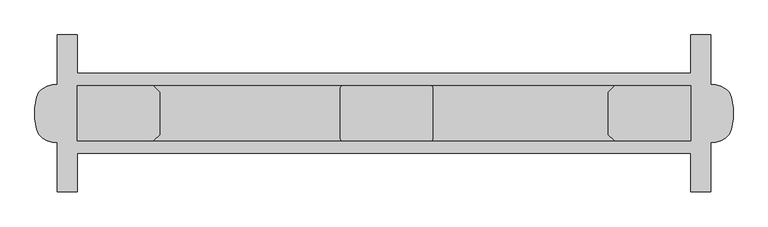
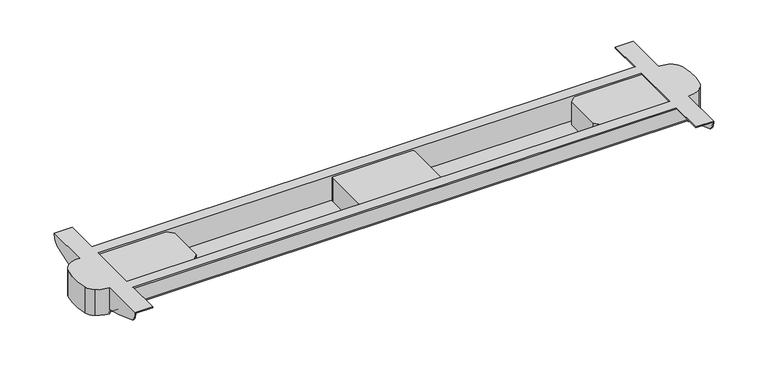
"""IFC4 building model written with IfcOpenShell, lengths in millimetres: furniture geometry."""

from ifc_helpers import new_model, si_unit, point, frame, frame_2d, origin, place, context, project, spatial, polyline, circle_curve, trimmed, segment, composite_curve, outline, extrude, source, transform, mapped, element, save
from ifc_brep_helpers import plane_surface, cylinder_surface, advanced_brep


def furniture_cdd899f4(model_context):
    return source(origin(), model_context, "Body", "SolidModel", [
        advanced_brep(
        [(85.0, -430.0, 637.0), (58.2763436, -421.7002018, 637.0), (46.6942682, -404.9980486, 637.0), (46.6942682, -345.0019514, 637.0), (58.2763436, -328.2997982, 637.0), (85.0, -320.0, 637.0), (85.0, -326.0, 637.0), (1315.0, -326.0, 637.0), (1315.0, -320.0, 637.0), (1341.7236564, -328.2997982, 637.0), (1353.3057318, -345.0019514, 637.0), (1353.3057318, -404.9980486, 637.0), (1341.7236564, -421.7002018, 637.0), (1315.0, -430.0, 637.0), (1315.0, -424.0, 637.0), (85.0, -424.0, 637.0), (85.0, -320.0, 643.0), (85.0, -430.0, 643.0), (85.0, -323.0, 647.0), (85.0, -427.0, 647.0), (85.0, -427.0, 640.0), (85.0, -323.0, 640.0), (58.2763436, -328.2997982, 695.0), (85.0, -320.0, 695.0), (85.0, -320.0, 692.0), (85.0, -320.0, 647.0), (46.6942682, -345.0019514, 695.0), (46.6942682, -404.9980486, 695.0), (58.2763436, -421.7002018, 695.0), (85.0, -430.0, 695.0), (84.9091785, -430.0, 647.0), (85.0, -430.0, 692.0), (1341.7236564, -421.7002018, 695.0), (1315.0, -430.0, 695.0), (1315.0, -430.0, 692.0), (1315.0, -430.0, 647.0), (1315.0000004, -430.0, 643.0), (1353.3057318, -404.9980486, 695.0), (1353.3057318, -345.0019514, 695.0), (1341.7236564, -328.2997982, 695.0), (1315.0, -320.0, 695.0), (1315.0, -320.0, 643.0), (1315.0908215, -320.0, 647.0), (1315.0, -320.0, 692.0), (1315.0, -427.0, 647.0), (1315.0, -323.0, 647.0), (1315.0, -323.0, 640.0), (1315.0, -427.0, 640.0), (123.0, -299.5, 695.0), (1277.0, -299.5, 695.0), (1277.0, -299.5, 693.0), (1313.0, -299.5, 693.0), (1313.0, -299.5, 692.0), (87.0, -299.5, 692.0), (87.0, -299.5, 693.0), (123.0, -299.5, 693.0), (1313.0, -323.0, 647.0), (1313.0, -323.0, 693.0), (1277.0, -323.0, 693.0), (1277.0, -323.0, 695.0), (123.0, -323.0, 695.0), (123.0, -323.0, 693.0), (87.0, -323.0, 693.0), (87.0, -323.0, 647.0), (87.0, -427.0, 647.0), (87.0, -427.0, 693.0), (123.0, -427.0, 693.0), (123.0, -427.0, 695.0), (1277.0, -427.0, 695.0), (1277.0, -427.0, 693.0), (1313.0, -427.0, 693.0), (1313.0, -427.0, 647.0), (1277.0, -450.5, 695.0), (123.0, -450.5, 695.0), (123.0, -450.5, 693.0), (87.0, -450.5, 693.0), (87.0, -450.5, 692.0), (1313.0, -450.5, 692.0), (1313.0, -450.5, 693.0), (1277.0, -450.5, 693.0), (87.0, -430.0, 692.0), (1313.0, -430.0, 692.0), (1313.0, -430.0, 647.0), (87.0, -430.0, 647.0), (87.0, -320.0, 647.0), (87.0, -320.0, 692.0), (1313.0, -320.0, 692.0), (1313.0, -320.0, 647.0), (87.0, -522.5, 693.0), (123.0, -522.5, 693.0), (123.0, -522.5, 695.0), (85.0, -522.5, 695.0), (85.0, -522.5, 690.0), (87.0, -522.5, 690.0), (1315.0, -522.5, 695.0), (1277.0, -522.5, 695.0), (1277.0, -522.5, 693.0), (1313.0, -522.5, 693.0), (1313.0, -522.5, 690.0), (1315.0, -522.5, 690.0), (85.0, -227.5, 695.0), (123.0, -227.5, 695.0), (123.0, -227.5, 693.0), (87.0, -227.5, 693.0), (87.0, -227.5, 690.0), (85.0, -227.5, 690.0), (1313.0, -227.5, 693.0), (1277.0, -227.5, 693.0), (1277.0, -227.5, 695.0), (1315.0, -227.5, 695.0), (1315.0, -227.5, 690.0), (1313.0, -227.5, 690.0), (85.0, -432.2931901, 647.0), (85.0, -461.9736338, 654.4919759), (85.0, -511.3994142, 672.1446048), (85.0, -238.6005858, 672.1446048), (85.0, -288.0263662, 654.4919759), (85.0, -317.7068099, 647.0), (87.0, -317.7068099, 647.0), (87.0, -432.2931901, 647.0), (87.0, -511.3994142, 672.1446048), (87.0, -461.9736338, 654.4919759), (87.0, -288.0263662, 654.4919759), (87.0, -238.6005858, 672.1446048), (1313.0, -432.2931901, 647.0), (1313.0, -461.9736338, 654.4919759), (1313.0, -511.3994142, 672.1446048), (1313.0, -238.6005858, 672.1446048), (1313.0, -288.0263662, 654.4919759), (1313.0, -317.7068099, 647.0), (1315.0, -317.7068099, 647.0), (1315.0, -432.2931901, 647.0), (1315.0, -288.0263662, 654.4919759), (1315.0, -238.6005858, 672.1446048), (1315.0, -511.3994142, 672.1446048), (1315.0, -461.9736338, 654.4919759)],
        [
            (0, 1, circle_curve(frame((84.9545892, -382.9739542, 637.0), z_axis=(0.0, 0.0, -1.0), x_axis=(1.0, 0.0, 0.0)), 47.0260677)),
            (1, 2, circle_curve(frame((74.5881069, -398.0219812, 637.0), z_axis=(0.0, 0.0, -1.0), x_axis=(1.0, 0.0, 0.0)), 28.7529434)),
            (2, 3, circle_curve(frame((166.6416094, -375.0, 637.0), z_axis=(0.0, 0.0, -1.0), x_axis=(1.0, 0.0, 0.0)), 123.6416094)),
            (3, 4, circle_curve(frame((74.5881069, -351.9780188, 637.0), z_axis=(0.0, 0.0, -1.0), x_axis=(1.0, 0.0, 0.0)), 28.7529434)),
            (4, 5, circle_curve(frame((84.9545892, -367.0260458, 637.0), z_axis=(0.0, 0.0, -1.0), x_axis=(1.0, 0.0, 0.0)), 47.0260677)),
            (5, 6),
            (6, 7),
            (7, 8),
            (8, 9, circle_curve(frame((1315.0454108, -367.0260458, 637.0), z_axis=(0.0, 0.0, -1.0), x_axis=(1.0, 0.0, 0.0)), 47.0260677)),
            (9, 10, circle_curve(frame((1325.4118931, -351.9780188, 637.0), z_axis=(0.0, 0.0, -1.0), x_axis=(1.0, 0.0, 0.0)), 28.7529434)),
            (10, 11, circle_curve(frame((1233.3583906, -375.0, 637.0), z_axis=(0.0, 0.0, -1.0), x_axis=(1.0, 0.0, 0.0)), 123.6416094)),
            (11, 12, circle_curve(frame((1325.4118931, -398.0219812, 637.0), z_axis=(0.0, 0.0, -1.0), x_axis=(1.0, 0.0, 0.0)), 28.7529434)),
            (12, 13, circle_curve(frame((1315.0454108, -382.9739542, 637.0), z_axis=(0.0, 0.0, -1.0), x_axis=(1.0, 0.0, 0.0)), 47.0260677)),
            (13, 14),
            (14, 15),
            (15, 0),
            (5, 16),
            (16, 6, circle_curve(frame((85.0, -326.0, 643.0), z_axis=(-1.0, 0.0, 0.0), x_axis=(0.0, 1.0, 0.0)), 6.0)),
            (15, 17, circle_curve(frame((85.0, -424.0, 643.0), z_axis=(-1.0, 0.0, 0.0), x_axis=(0.0, 1.0, 0.0)), 6.0)),
            (17, 0),
            (18, 19),
            (19, 20),
            (20, 21),
            (21, 18),
            (22, 23, circle_curve(frame((84.9545892, -367.0260458, 695.0), z_axis=(0.0, 0.0, -1.0), x_axis=(1.0, 0.0, 0.0)), 47.0260677)),
            (23, 24),
            (24, 25),
            (25, 16),
            (4, 22),
            (26, 22, circle_curve(frame((74.5881069, -351.9780188, 695.0), z_axis=(0.0, 0.0, -1.0), x_axis=(1.0, 0.0, 0.0)), 28.7529434)),
            (3, 26),
            (27, 26, circle_curve(frame((166.6416094, -375.0, 695.0), z_axis=(0.0, 0.0, -1.0), x_axis=(1.0, 0.0, 0.0)), 123.6416094)),
            (2, 27),
            (28, 27, circle_curve(frame((74.5881069, -398.0219812, 695.0), z_axis=(0.0, 0.0, -1.0), x_axis=(1.0, 0.0, 0.0)), 28.7529434)),
            (1, 28),
            (29, 28, circle_curve(frame((84.9545892, -382.9739542, 695.0), z_axis=(0.0, 0.0, -1.0), x_axis=(1.0, 0.0, 0.0)), 47.0260677)),
            (17, 30),
            (30, 31),
            (31, 29),
            (32, 33, circle_curve(frame((1315.0454108, -382.9739542, 695.0), z_axis=(0.0, 0.0, -1.0), x_axis=(1.0, 0.0, 0.0)), 47.0260677)),
            (33, 34),
            (34, 35),
            (35, 36),
            (36, 13),
            (12, 32),
            (37, 32, circle_curve(frame((1325.4118931, -398.0219812, 695.0), z_axis=(0.0, 0.0, -1.0), x_axis=(1.0, 0.0, 0.0)), 28.7529434)),
            (11, 37),
            (38, 37, circle_curve(frame((1233.3583906, -375.0, 695.0), z_axis=(0.0, 0.0, -1.0), x_axis=(1.0, 0.0, 0.0)), 123.6416094)),
            (10, 38),
            (39, 38, circle_curve(frame((1325.4118931, -351.9780188, 695.0), z_axis=(0.0, 0.0, -1.0), x_axis=(1.0, 0.0, 0.0)), 28.7529434)),
            (9, 39),
            (40, 39, circle_curve(frame((1315.0454108, -367.0260458, 695.0), z_axis=(0.0, 0.0, -1.0), x_axis=(1.0, 0.0, 0.0)), 47.0260677)),
            (8, 41),
            (41, 42),
            (42, 43),
            (43, 40),
            (7, 41, circle_curve(frame((1315.0, -326.0, 643.0), z_axis=(1.0, 0.0, 0.0), x_axis=(0.0, 1.0, 0.0)), 6.0)),
            (36, 14, circle_curve(frame((1315.0, -424.0, 643.0), z_axis=(1.0, 0.0, 0.0), x_axis=(0.0, 1.0, 0.0)), 6.0)),
            (44, 45),
            (45, 46),
            (46, 47),
            (47, 44),
            (48, 49),
            (49, 50),
            (50, 51),
            (51, 52),
            (52, 53),
            (53, 54),
            (54, 55),
            (55, 48),
            (21, 46),
            (45, 56),
            (56, 57),
            (57, 58),
            (58, 59),
            (59, 60),
            (60, 61),
            (61, 62),
            (62, 63),
            (63, 18),
            (20, 47),
            (19, 64),
            (64, 65),
            (65, 66),
            (66, 67),
            (67, 68),
            (68, 69),
            (69, 70),
            (70, 71),
            (71, 44),
            (72, 73),
            (73, 74),
            (74, 75),
            (75, 76),
            (76, 77),
            (77, 78),
            (78, 79),
            (79, 72),
            (76, 80),
            (80, 81),
            (81, 77),
            (17, 36),
            (35, 82),
            (82, 81),
            (80, 83),
            (83, 30),
            (16, 41),
            (25, 84),
            (84, 85),
            (85, 86),
            (86, 87),
            (87, 42),
            (52, 86),
            (85, 53),
            (88, 89),
            (89, 90),
            (90, 91),
            (91, 92),
            (92, 93),
            (93, 88),
            (94, 95),
            (95, 96),
            (96, 97),
            (97, 98),
            (98, 99),
            (99, 94),
            (100, 101),
            (101, 102),
            (102, 103),
            (103, 104),
            (104, 105),
            (105, 100),
            (106, 107),
            (107, 108),
            (108, 109),
            (109, 110),
            (110, 111),
            (111, 106),
            (91, 29),
            (30, 112),
            (112, 113),
            (113, 114, circle_curve(frame((85.0, -394.8144565, 920.5518532), z_axis=(-1.0, 0.0, 0.0), x_axis=(0.0, 1.0, 0.0)), 274.4051993)),
            (114, 92, circle_curve(frame((85.0, -502.5894227, 690.0), z_axis=(-1.0, 0.0, 0.0), x_axis=(0.0, 1.0, 0.0)), 19.9105773)),
            (23, 100),
            (105, 115, circle_curve(frame((85.0, -247.4105773, 690.0), z_axis=(-1.0, 0.0, 0.0), x_axis=(0.0, 1.0, 0.0)), 19.9105773)),
            (115, 116, circle_curve(frame((85.0, -355.1855435, 920.5518532), z_axis=(-1.0, 0.0, 0.0), x_axis=(0.0, 1.0, 0.0)), 274.4051993)),
            (116, 117),
            (117, 25),
            (63, 64),
            (117, 118),
            (118, 84),
            (119, 112),
            (83, 119),
            (93, 120, circle_curve(frame((87.0, -502.5894227, 690.0), z_axis=(1.0, 0.0, 0.0), x_axis=(0.0, 1.0, 0.0)), 19.9105773)),
            (120, 121, circle_curve(frame((87.0, -394.8144565, 920.5518532), z_axis=(1.0, 0.0, 0.0), x_axis=(0.0, 1.0, 0.0)), 274.4051993)),
            (121, 119),
            (75, 88),
            (103, 54),
            (118, 122),
            (122, 123, circle_curve(frame((87.0, -355.1855435, 920.5518532), z_axis=(1.0, 0.0, 0.0), x_axis=(0.0, 1.0, 0.0)), 274.4051993)),
            (123, 104, circle_curve(frame((87.0, -247.4105773, 690.0), z_axis=(1.0, 0.0, 0.0), x_axis=(0.0, 1.0, 0.0)), 19.9105773)),
            (62, 65),
            (74, 89),
            (102, 55),
            (61, 66),
            (73, 90),
            (101, 48),
            (60, 67),
            (72, 95),
            (94, 33),
            (40, 109),
            (108, 49),
            (59, 68),
            (79, 96),
            (107, 50),
            (58, 69),
            (78, 97),
            (106, 51),
            (57, 70),
            (82, 124),
            (124, 125),
            (125, 126, circle_curve(frame((1313.0, -394.8144565, 920.5518532), z_axis=(-1.0, 0.0, 0.0), x_axis=(0.0, 1.0, 0.0)), 274.4051993)),
            (126, 98, circle_curve(frame((1313.0, -502.5894227, 690.0), z_axis=(-1.0, 0.0, 0.0), x_axis=(0.0, 1.0, 0.0)), 19.9105773)),
            (111, 127, circle_curve(frame((1313.0, -247.4105773, 690.0), z_axis=(-1.0, 0.0, 0.0), x_axis=(0.0, 1.0, 0.0)), 19.9105773)),
            (127, 128, circle_curve(frame((1313.0, -355.1855435, 920.5518532), z_axis=(-1.0, 0.0, 0.0), x_axis=(0.0, 1.0, 0.0)), 274.4051993)),
            (128, 129),
            (129, 87),
            (56, 71),
            (129, 130),
            (130, 42),
            (131, 124),
            (35, 131),
            (130, 132),
            (132, 133, circle_curve(frame((1315.0, -355.1855435, 920.5518532), z_axis=(1.0, 0.0, 0.0), x_axis=(0.0, 1.0, 0.0)), 274.4051993)),
            (133, 110, circle_curve(frame((1315.0, -247.4105773, 690.0), z_axis=(1.0, 0.0, 0.0), x_axis=(0.0, 1.0, 0.0)), 19.9105773)),
            (99, 134, circle_curve(frame((1315.0, -502.5894227, 690.0), z_axis=(1.0, 0.0, 0.0), x_axis=(0.0, 1.0, 0.0)), 19.9105773)),
            (134, 135, circle_curve(frame((1315.0, -394.8144565, 920.5518532), z_axis=(1.0, 0.0, 0.0), x_axis=(0.0, 1.0, 0.0)), 274.4051993)),
            (135, 131),
            (115, 123),
            (122, 116),
            (127, 133),
            (132, 128),
            (121, 113),
            (135, 125),
            (120, 114),
            (134, 126),
        ],
        [
            plane_surface(frame((85.0, -320.0, 637.0), z_axis=(0.0, 0.0, -1.0), x_axis=(0.0, -1.0, 0.0))),
            plane_surface(frame((85.0, -430.0, 695.0), z_axis=(1.0, 0.0, 0.0), x_axis=(0.0, 0.0, -1.0))),
            cylinder_surface(frame((84.9545892, -367.0260458, 637.0), z_axis=(0.0, 0.0, 1.0), x_axis=(1.0, 0.0, 0.0)), 47.0260677),
            cylinder_surface(frame((74.5881069, -351.9780188, 637.0), z_axis=(0.0, 0.0, 1.0), x_axis=(1.0, 0.0, 0.0)), 28.7529434),
            cylinder_surface(frame((166.6416094, -375.0, 637.0), z_axis=(0.0, 0.0, 1.0), x_axis=(1.0, 0.0, 0.0)), 123.6416094),
            cylinder_surface(frame((74.5881069, -398.0219812, 637.0), z_axis=(0.0, 0.0, 1.0), x_axis=(1.0, 0.0, 0.0)), 28.7529434),
            cylinder_surface(frame((84.9545892, -382.9739542, 637.0), z_axis=(0.0, 0.0, 1.0), x_axis=(1.0, 0.0, 0.0)), 47.0260677),
            cylinder_surface(frame((1315.0454108, -382.9739542, 0.0), z_axis=(0.0, 0.0, 1.0), x_axis=(1.0, 0.0, 0.0)), 47.0260677),
            cylinder_surface(frame((1325.4118931, -398.0219812, 0.0), z_axis=(0.0, 0.0, 1.0), x_axis=(1.0, 0.0, 0.0)), 28.7529434),
            cylinder_surface(frame((1233.3583906, -375.0, 0.0), z_axis=(0.0, 0.0, 1.0), x_axis=(1.0, 0.0, 0.0)), 123.6416094),
            cylinder_surface(frame((1325.4118931, -351.9780188, 0.0), z_axis=(0.0, 0.0, 1.0), x_axis=(1.0, 0.0, 0.0)), 28.7529434),
            cylinder_surface(frame((1315.0454108, -367.0260458, 0.0), z_axis=(0.0, 0.0, 1.0), x_axis=(1.0, 0.0, 0.0)), 47.0260677),
            plane_surface(frame((1315.0, -320.0, 695.0), z_axis=(-1.0, 0.0, 0.0), x_axis=(0.0, 0.0, -1.0))),
            plane_surface(frame((1315.0, -299.5, 692.0), z_axis=(0.0, 1.0, 0.0), x_axis=(-1.0, 0.0, 0.0))),
            plane_surface(frame((1315.0, -323.0, 695.0), z_axis=(0.0, -1.0, 0.0), x_axis=(-1.0, 0.0, 0.0))),
            plane_surface(frame((1315.0, -323.0, 640.0), z_axis=(0.0, 0.0, 1.0), x_axis=(-1.0, 0.0, 0.0))),
            plane_surface(frame((1315.0, -427.0, 640.0), z_axis=(0.0, 1.0, 0.0), x_axis=(-1.0, 0.0, 0.0))),
            plane_surface(frame((1315.0, -450.5, 695.0), z_axis=(0.0, -1.0, 0.0), x_axis=(-1.0, 0.0, 0.0))),
            plane_surface(frame((1315.0, -450.5, 692.0), z_axis=(0.0, 0.0, -1.0), x_axis=(-1.0, 0.0, 0.0))),
            plane_surface(frame((1315.0, -430.0, 692.0), z_axis=(0.0, -1.0, 0.0), x_axis=(-1.0, 0.0, 0.0))),
            cylinder_surface(frame((85.0, -424.0, 643.0), z_axis=(1.0, 0.0, 0.0), x_axis=(0.0, 1.0, 0.0)), 6.0),
            cylinder_surface(frame((85.0, -326.0, 643.0), z_axis=(1.0, 0.0, 0.0), x_axis=(0.0, 1.0, 0.0)), 6.0),
            plane_surface(frame((1315.0, -320.0, 643.0), z_axis=(0.0, 1.0, 0.0), x_axis=(-1.0, 0.0, 0.0))),
            plane_surface(frame((1315.0, -320.0, 692.0), z_axis=(0.0, 0.0, -1.0), x_axis=(-1.0, 0.0, 0.0))),
            plane_surface(frame((85.0, -522.5, 695.0), z_axis=(0.0, -1.0, 0.0), x_axis=(0.0, 0.0, -1.0))),
            plane_surface(frame((85.0, -227.5, 695.0), z_axis=(0.0, 1.0, 0.0), x_axis=(0.0, 0.0, 1.0))),
            plane_surface(frame((85.0, -522.5, 695.0), z_axis=(-1.0, 0.0, 0.0), x_axis=(0.0, 1.0, 0.0))),
            plane_surface(frame((85.0, -522.5, 647.0), z_axis=(0.0, 0.0, -1.0), x_axis=(0.0, 1.0, 0.0))),
            plane_surface(frame((87.0, -522.5, 647.0), z_axis=(1.0, 0.0, 0.0), x_axis=(0.0, 1.0, 0.0))),
            plane_surface(frame((87.0, -522.5, 693.0), z_axis=(0.0, 0.0, -1.0), x_axis=(0.0, 1.0, 0.0))),
            plane_surface(frame((123.0, -522.5, 693.0), z_axis=(1.0, 0.0, 0.0), x_axis=(0.0, 1.0, 0.0))),
            plane_surface(frame((123.0, -522.5, 695.0), z_axis=(0.0, 0.0, 1.0), x_axis=(0.0, 1.0, 0.0))),
            plane_surface(frame((1277.0, -522.5, 695.0), z_axis=(-1.0, 0.0, 0.0), x_axis=(0.0, 1.0, 0.0))),
            plane_surface(frame((1277.0, -522.5, 693.0), z_axis=(0.0, 0.0, -1.0), x_axis=(0.0, 1.0, 0.0))),
            plane_surface(frame((1313.0, -522.5, 693.0), z_axis=(-1.0, 0.0, 0.0), x_axis=(0.0, 1.0, 0.0))),
            plane_surface(frame((1313.0, -522.5, 647.0), z_axis=(0.0, 0.0, -1.0), x_axis=(0.0, 1.0, 0.0))),
            plane_surface(frame((1315.0, -522.5, 647.0), z_axis=(1.0, 0.0, 0.0), x_axis=(0.0, 1.0, 0.0))),
            cylinder_surface(frame((0.0, -355.1855435, 920.5518532), z_axis=(-1.0, 0.0, 0.0), x_axis=(0.0, 1.0, 0.0)), 274.4051993),
            plane_surface(frame((1400.0, -288.0263662, 654.4919759), z_axis=(0.0, 0.24474455091905728, -0.9695875952153209), x_axis=(-1.0, 0.0, 0.0))),
            plane_surface(frame((1400.0, -430.0, 646.42115), z_axis=(0.0, -0.24474455091828146, -0.9695875952155167), x_axis=(-1.0, 0.0, 0.0))),
            cylinder_surface(frame((0.0, -394.8144565, 920.5518532), z_axis=(-1.0, 0.0, 0.0), x_axis=(0.0, 1.0, 0.0)), 274.4051993),
            cylinder_surface(frame((0.0, -247.4105773, 690.0), z_axis=(-1.0, 0.0, 0.0), x_axis=(0.0, 1.0, 0.0)), 19.9105773),
            cylinder_surface(frame((0.0, -502.5894227, 690.0), z_axis=(-1.0, 0.0, 0.0), x_axis=(0.0, 1.0, 0.0)), 19.9105773),
        ],
        [
            (0, [[1, 2, 3, 4, 5, 6, 7, 8, 9, 10, 11, 12, 13, 14, 15, 16]]),
            (1, [[-6, 17, 18]]),
            (1, [[-16, 19, 20]]),
            (1, [[21, 22, 23, 24]]),
            (2, [[25, 26, 27, 28, -17, -5, 29]]),
            (3, [[30, -29, -4, 31]]),
            (4, [[32, -31, -3, 33]]),
            (5, [[34, -33, -2, 35]]),
            (6, [[36, -35, -1, -20, 37, 38, 39]]),
            (7, [[40, 41, 42, 43, 44, -13, 45]]),
            (8, [[46, -45, -12, 47]]),
            (9, [[48, -47, -11, 49]]),
            (10, [[50, -49, -10, 51]]),
            (11, [[52, -51, -9, 53, 54, 55, 56]]),
            (12, [[-8, 57, -53]]),
            (12, [[-14, -44, 58]]),
            (12, [[59, 60, 61, 62]]),
            (13, [[63, 64, 65, 66, 67, 68, 69, 70]]),
            (14, [[71, -60, 72, 73, 74, 75, 76, 77, 78, 79, 80, -24]]),
            (15, [[-71, -23, 81, -61]]),
            (16, [[-81, -22, 82, 83, 84, 85, 86, 87, 88, 89, 90, -62]]),
            (17, [[91, 92, 93, 94, 95, 96, 97, 98]]),
            (18, [[-95, 99, 100, 101]]),
            (19, [[102, -43, 103, 104, -100, 105, 106, -37]]),
            (20, [[-102, -19, -15, -58]]),
            (21, [[-7, -18, 107, -57]]),
            (22, [[-107, -28, 108, 109, 110, 111, 112, -54]]),
            (23, [[-67, 113, -110, 114]]),
            (24, [[115, 116, 117, 118, 119, 120]]),
            (24, [[121, 122, 123, 124, 125, 126]]),
            (25, [[127, 128, 129, 130, 131, 132]]),
            (25, [[133, 134, 135, 136, 137, 138]]),
            (26, [[-118, 139, -39, -38, 140, 141, 142, 143]]),
            (26, [[144, -132, 145, 146, 147, 148, -27, -26]]),
            (27, [[-21, -80, 149, -82]]),
            (27, [[150, 151, -108, -148]]),
            (27, [[152, -140, -106, 153]]),
            (28, [[-120, 154, 155, 156, -153, -105, -99, -94, 157]]),
            (28, [[-130, 158, -68, -114, -109, -151, 159, 160, 161]]),
            (28, [[-149, -79, 162, -83]]),
            (29, [[-115, -157, -93, 163]]),
            (29, [[-129, 164, -69, -158]]),
            (29, [[-162, -78, 165, -84]]),
            (30, [[-116, -163, -92, 166]]),
            (30, [[-128, 167, -70, -164]]),
            (30, [[-165, -77, 168, -85]]),
            (31, [[-117, -166, -91, 169, -121, 170, -40, -46, -48, -50, -52, 171, -135, 172, -63, -167, -127, -144, -25, -30, -32, -34, -36, -139], [173, -86, -168, -76]]),
            (32, [[-122, -169, -98, 174]]),
            (32, [[-134, 175, -64, -172]]),
            (32, [[-173, -75, 176, -87]]),
            (33, [[-123, -174, -97, 177]]),
            (33, [[-133, 178, -65, -175]]),
            (33, [[-176, -74, 179, -88]]),
            (34, [[-124, -177, -96, -101, -104, 180, 181, 182, 183]]),
            (34, [[-138, 184, 185, 186, 187, -111, -113, -66, -178]]),
            (34, [[-179, -73, 188, -89]]),
            (35, [[-188, -72, -59, -90]]),
            (35, [[189, 190, -112, -187]]),
            (35, [[191, -180, -103, 192]]),
            (36, [[-136, -171, -56, -55, -190, 193, 194, 195]]),
            (36, [[-170, -126, 196, 197, 198, -192, -42, -41]]),
            (37, [[199, -160, 200, -146]]),
            (37, [[201, -194, 202, -185]]),
            (38, [[-200, -159, -150, -147]]),
            (38, [[-202, -193, -189, -186]]),
            (39, [[203, -141, -152, -156]]),
            (39, [[204, -181, -191, -198]]),
            (40, [[-203, -155, 205, -142]]),
            (40, [[-204, -197, 206, -182]]),
            (41, [[-199, -145, -131, -161]]),
            (41, [[-201, -184, -137, -195]]),
            (42, [[-205, -154, -119, -143]]),
            (42, [[-206, -196, -125, -183]]),
        ],
    ),
        extrude(outline(polyline([(265.9941389, -323.0), (278.0, -335.0058611), (278.0, -414.9941389), (265.9941389, -427.0), (123.0, -427.0), (123.0, -323.0), (265.9941389, -323.0)])), frame((0.0, 0.0, 640.0), z_axis=(0.0, 0.0, 1.0), x_axis=(1.0, 0.0, 0.0)), (0.0, 0.0, 1.0), 52.0),
        extrude(outline(polyline([(1277.0, -323.0), (1277.0, -427.0), (1134.0058611, -427.0), (1122.0, -414.9941389), (1122.0, -335.0058611), (1134.0058611, -323.0), (1277.0, -323.0)])), frame((0.0, 0.0, 640.0), z_axis=(0.0, 0.0, 1.0), x_axis=(1.0, 0.0, 0.0)), (0.0, 0.0, 1.0), 52.0),
        extrude(outline(composite_curve([segment(trimmed(circle_curve(frame_2d((787.0, -328.0)), 5.0), [point((787.0, -323.0))], [point((792.0, -328.0))], False, "CARTESIAN"), True, "CONTINUOUS"), segment(polyline([(792.0, -328.0), (792.0, -422.0)]), True, "CONTINUOUS"), segment(trimmed(circle_curve(frame_2d((787.0, -422.0)), 5.0), [point((792.0, -422.0))], [point((787.0, -427.0))], False, "CARTESIAN"), True, "CONTINUOUS"), segment(polyline([(787.0, -427.0), (623.0, -427.0)]), True, "CONTINUOUS"), segment(trimmed(circle_curve(frame_2d((623.0, -422.0)), 5.0), [point((623.0, -427.0))], [point((618.0, -422.0))], False, "CARTESIAN"), True, "CONTINUOUS"), segment(polyline([(618.0, -422.0), (618.0, -328.0)]), True, "CONTINUOUS"), segment(trimmed(circle_curve(frame_2d((623.0, -328.0)), 5.0), [point((618.0, -328.0))], [point((623.0, -323.0))], False, "CARTESIAN"), True, "CONTINUOUS"), segment(polyline([(623.0, -323.0), (787.0, -323.0)]), True, "CONTINUOUS")], self_intersect=False)), frame((0.0, 0.0, 640.0), z_axis=(0.0, 0.0, 1.0), x_axis=(1.0, 0.0, 0.0)), (0.0, 0.0, 1.0), 52.0),
    ])


if __name__ == "__main__":
    model = new_model("IFC4")
    model_context = context("Model", 3, world=origin())
    ifc_project = project(units=[si_unit("LENGTHUNIT", "METRE", prefix="MILLI")], contexts=[model_context])
    site = spatial("IfcSite", under=ifc_project)
    building = spatial("IfcBuilding", under=site)
    placement = place(None, origin())
    furniture_shape = furniture_cdd899f4(model_context)
    element("IfcFurniture", 1, at=placement, inside=building, context=model_context, shape_type="MappedRepresentation", body=[
        mapped(furniture_shape, transform((0.0, 0.0, 0.0), x_axis=(1.0, 0.0, 0.0), y_axis=(0.0, 1.0, 0.0), z_axis=(0.0, 0.0, 1.0))),
    ])
    save(model, "model.ifc")
